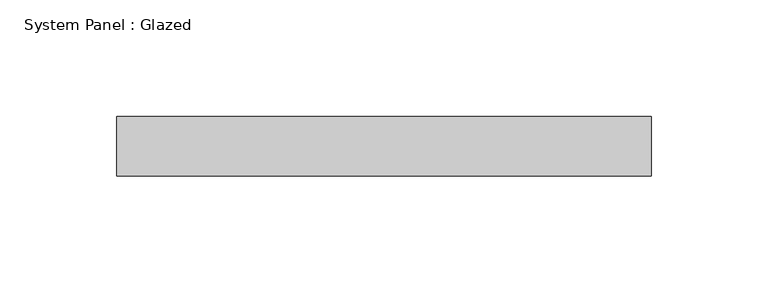
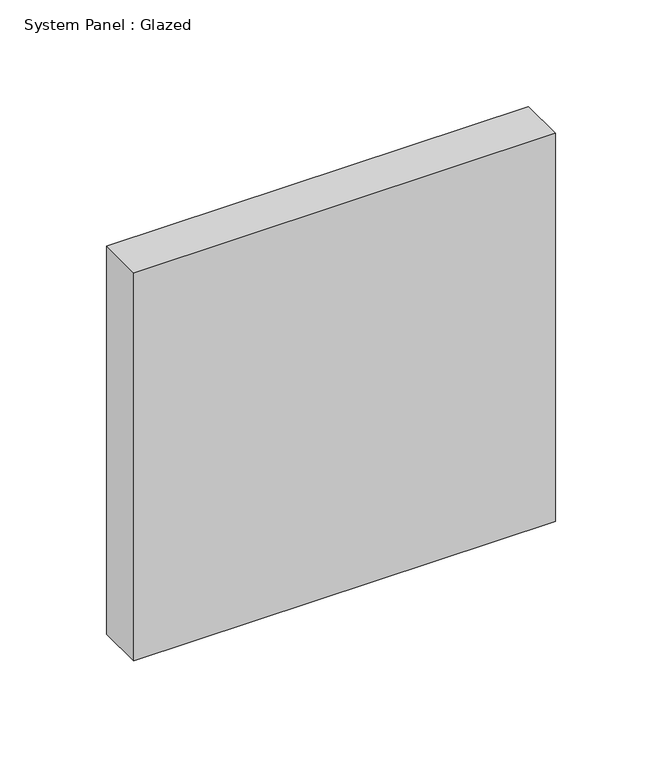
"""IFC4 building model written with IfcOpenShell, lengths in millimetres: plate geometry, System Panel : Glazed."""

from ifc_helpers import new_model, si_unit, origin, origin_with_axes, place, context, project, spatial, polyline, outline, extrude, source, transform, mapped, element, save


def system_panel_glazed_2ad2fc49(model_context):
    return source(origin(), model_context, "Body", "SweptSolid", [
        extrude(outline(polyline([(114.3, 19.05), (-114.3, 19.05), (-114.3, 44.45), (114.3, 44.45), (114.3, 19.05)])), origin_with_axes(), (0.0, 0.0, 1.0), 222.25),
    ])


if __name__ == "__main__":
    model = new_model("IFC4")
    model_context = context("Model", 3, world=origin())
    ifc_project = project(units=[si_unit("LENGTHUNIT", "METRE", prefix="MILLI")], contexts=[model_context])
    site = spatial("IfcSite", under=ifc_project)
    building = spatial("IfcBuilding", under=site)
    placement = place(None, origin())
    system_panel_glazed_shape = system_panel_glazed_2ad2fc49(model_context)
    element("IfcPlate", 1, ObjectType="System Panel : Glazed", at=placement, inside=building, context=model_context, shape_type="MappedRepresentation", body=[
        mapped(system_panel_glazed_shape, transform((0.0, 0.0, 0.0), x_axis=(1.0, 0.0, 0.0), y_axis=(0.0, 1.0, 0.0), z_axis=(0.0, 0.0, 1.0))),
    ])
    save(model, "model.ifc")
